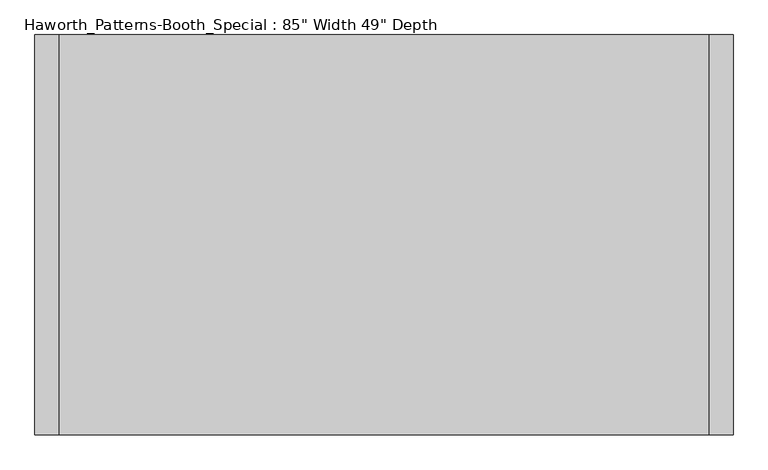
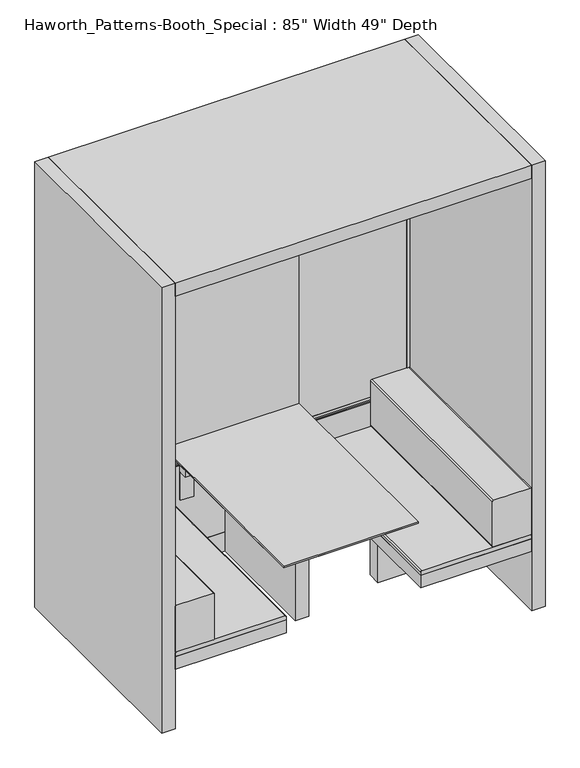
"""IFC4 building model written with IfcOpenShell, lengths in millimetres: furniture geometry."""

from ifc_helpers import new_model, si_unit, point, frame, frame_2d, origin, origin_with_axes, place, context, project, spatial, polyline, circle_curve, trimmed, segment, composite_curve, outline, extrude, faceted_brep, source, transform, mapped, element, save


def furniture_57767e72(model_context):
    return source(origin(), model_context, "Body", "SolidModel", [
        extrude(outline(polyline([(-141.6049558, 704.5452221), (-141.6049558, 706.6280165), (-49.5299513, 706.6280165), (-49.5299513, 396.8847862), (-57.6579518, 396.8847862), (-57.6579518, 564.8452221), (-105.409988, 564.8452221), (-105.409988, 704.5452221), (-141.6049558, 704.5452221)])), frame((219.075, 0.0, 0.0), z_axis=(1.0, 0.0, 0.0), x_axis=(0.0, 1.0, 0.0)), (0.0, 0.0, 1.0), 76.2),
        extrude(outline(polyline([(-141.6049558, 704.5452221), (-141.6049558, 706.6280165), (-49.5299513, 706.6280165), (-49.5299513, 396.8847862), (-57.6579518, 396.8847862), (-57.6579518, 564.8452221), (-105.409988, 564.8452221), (-105.409988, 704.5452221), (-141.6049558, 704.5452221)])), frame((-295.275, 0.0, 0.0), z_axis=(1.0, 0.0, 0.0), x_axis=(0.0, 1.0, 0.0)), (0.0, 0.0, 1.0), 76.2),
        extrude(outline(polyline([(-990.6, -20.9549513), (-990.6, -24.1299513), (-1009.65, -24.1299513), (-1009.65, -20.9549513), (-990.6, -20.9549513)])), frame((0.0, 0.0, 114.3046991), z_axis=(0.0, 0.0, 1.0), x_axis=(1.0, 0.0, 0.0)), (0.0, 0.0, 1.0), 485.7703251),
        extrude(outline(polyline([(-990.6, -49.5299513), (-990.6, -52.6872673), (-1009.65, -52.6872673), (-1009.65, -49.5299513), (-990.6, -49.5299513)])), frame((0.0, 0.0, 114.3046991), z_axis=(0.0, 0.0, 1.0), x_axis=(1.0, 0.0, 0.0)), (0.0, 0.0, 1.0), 485.7703251),
        extrude(outline(polyline([(990.6, -20.9549513), (1009.65, -20.9549513), (1009.65, -24.1299513), (990.6, -24.1299513), (990.6, -20.9549513)])), frame((0.0, 0.0, 114.3046991), z_axis=(0.0, 0.0, 1.0), x_axis=(1.0, 0.0, 0.0)), (0.0, 0.0, 1.0), 485.7703251),
        extrude(outline(polyline([(990.6, -49.5299513), (1009.65, -49.5299513), (1009.65, -52.6872673), (990.6, -52.6872673), (990.6, -49.5299513)])), frame((0.0, 0.0, 114.3046991), z_axis=(0.0, 0.0, 1.0), x_axis=(1.0, 0.0, 0.0)), (0.0, 0.0, 1.0), 485.7703251),
        extrude(outline(polyline([(-990.6, -49.5299513), (-990.6, -52.6872673), (-1009.65, -52.6872673), (-1009.65, -49.5299513), (-990.6, -49.5299513)])), frame((0.0, 0.0, 631.8250242), z_axis=(0.0, 0.0, 1.0), x_axis=(1.0, 0.0, 0.0)), (0.0, 0.0, 1.0), 1907.4130068),
        extrude(outline(polyline([(-990.6, -20.9726352), (-990.6, -24.1299513), (-1009.65, -24.1299513), (-1009.65, -20.9726352), (-990.6, -20.9726352)])), frame((0.0, 0.0, 631.8250242), z_axis=(0.0, 0.0, 1.0), x_axis=(1.0, 0.0, 0.0)), (0.0, 0.0, 1.0), 1907.4130068),
        extrude(outline(polyline([(990.6, -49.5299513), (1009.65, -49.5299513), (1009.65, -52.6872673), (990.6, -52.6872673), (990.6, -49.5299513)])), frame((0.0, 0.0, 631.8250242), z_axis=(0.0, 0.0, 1.0), x_axis=(1.0, 0.0, 0.0)), (0.0, 0.0, 1.0), 1907.4130068),
        extrude(outline(polyline([(990.6, -20.9726352), (1009.65, -20.9726352), (1009.65, -24.1299513), (990.6, -24.1299513), (990.6, -20.9726352)])), frame((0.0, 0.0, 631.8250242), z_axis=(0.0, 0.0, 1.0), x_axis=(1.0, 0.0, 0.0)), (0.0, 0.0, 1.0), 1907.4130068),
        extrude(outline(polyline([(-65.9775917, 2590.8), (-20.9726352, 2590.8), (-20.9726352, 2539.238031), (-54.1781535, 2539.238031), (-54.1781535, 2561.1519344), (-65.9775917, 2561.1519344), (-65.9775917, 2590.8)])), frame((-1009.65, 0.0, 0.0), z_axis=(1.0, 0.0, 0.0), x_axis=(0.0, 1.0, 0.0)), (0.0, 0.0, 1.0), 2019.3),
        extrude(outline(polyline([(-49.5299513, 615.170081), (-49.5299513, 631.8250242), (-23.0345427, 631.8250242), (-23.044073, 615.1586148), (-24.1362731, 615.1592394), (-24.1404749, 607.8111794), (-23.0482748, 607.8105549), (-23.0482748, 600.0750242), (-49.5299513, 600.0750242), (-49.5299513, 607.8220199), (-48.4377509, 607.8220199), (-48.4377509, 615.170081), (-49.5299513, 615.170081)])), frame((-1009.65, 0.0, 0.0), z_axis=(1.0, 0.0, 0.0), x_axis=(0.0, 1.0, 0.0)), (0.0, 0.0, 1.0), 2019.3),
        extrude(outline(polyline([(-1009.65, -52.6872673), (-1009.65, -20.9549513), (1009.65, -20.9549513), (1009.65, -52.6872673), (-1009.65, -52.6872673)])), origin_with_axes(), (0.0, 0.0, 1.0), 114.3),
        extrude(outline(polyline([(381.0, -24.1299513), (381.0, -49.5299513), (-381.0, -49.5299513), (-381.0, -24.1299513), (381.0, -24.1299513)])), frame((0.0, 0.0, 631.8250242), z_axis=(0.0, 0.0, 1.0), x_axis=(1.0, 0.0, 0.0)), (0.0, 0.0, 1.0), 1907.4130068),
        extrude(outline(polyline([(-381.0, -24.1299513), (-381.0, -49.5299513), (-1009.65, -49.5299513), (-1009.65, -24.1299513), (-381.0, -24.1299513)])), frame((0.0, 0.0, 631.8250242), z_axis=(0.0, 0.0, 1.0), x_axis=(1.0, 0.0, 0.0)), (0.0, 0.0, 1.0), 1907.4130068),
        extrude(outline(polyline([(381.0, -24.1299513), (1009.65, -24.1299513), (1009.65, -49.5299513), (381.0, -49.5299513), (381.0, -24.1299513)])), frame((0.0, 0.0, 631.8250242), z_axis=(0.0, 0.0, 1.0), x_axis=(1.0, 0.0, 0.0)), (0.0, 0.0, 1.0), 1907.4130068),
        extrude(outline(polyline([(1009.65, -24.1299513), (1009.65, -49.5299513), (-1009.65, -49.5299513), (-1009.65, -24.1299513), (1009.65, -24.1299513)])), frame((0.0, 0.0, 114.3), z_axis=(0.0, 0.0, 1.0), x_axis=(1.0, 0.0, 0.0)), (0.0, 0.0, 1.0), 485.7750242),
        faceted_brep([(381.0, -49.5299513, 727.0831633), (-381.0, -49.5299513, 727.0831633), (-381.0, -1219.2, 727.0831633), (381.0, -1219.2, 727.0831633), (336.55, -49.5299513, 706.6280165), (336.55, -1174.75, 706.6280165), (-336.55, -1174.75, 706.6280165), (-336.55, -49.5299513, 706.6280165)], [[[0, 1, 2, 3]], [[4, 5, 6, 7]], [[4, 7, 1, 0]], [[7, 6, 2, 1]], [[6, 5, 3, 2]], [[5, 4, 0, 3]]]),
        extrude(outline(polyline([(381.0, -49.5299513), (381.0, -1219.2), (-381.0, -1219.2), (-381.0, -49.5299513), (381.0, -49.5299513)])), frame((0.0, 0.0, 727.0831633), z_axis=(0.0, 0.0, 1.0), x_axis=(1.0, 0.0, 0.0)), (0.0, 0.0, 1.0), 9.516861),
        extrude(outline(polyline([(-38.1, -49.5299513), (38.1, -49.5299513), (38.1, -739.0129583), (-38.1, -739.0129583), (-38.1, -49.5299513)])), origin_with_axes(), (0.0, 0.0, 1.0), 706.6280165),
        extrude(outline(composite_curve([segment(polyline([(736.6000242, -793.7499939), (736.6000242, -1003.3)]), True, "CONTINUOUS"), segment(trimmed(circle_curve(frame_2d((730.2500242, -1003.3)), 6.35), [point((736.6000242, -1003.3))], [point((730.2500242, -1009.65))], False, "CARTESIAN"), True, "CONTINUOUS"), segment(polyline([(730.2500242, -1009.65), (463.5500008, -1009.65)]), True, "CONTINUOUS"), segment(trimmed(circle_curve(frame_2d((463.5500008, -1003.3)), 6.35), [point((463.5500008, -1009.65))], [point((457.2000008, -1003.3))], False, "CARTESIAN"), True, "CONTINUOUS"), segment(polyline([(457.2000008, -1003.3), (457.2000008, -793.7499939)]), True, "CONTINUOUS"), segment(trimmed(circle_curve(frame_2d((463.5500008, -793.7499939)), 6.35), [point((457.2000008, -793.7499939))], [point((463.5500008, -787.3999939))], False, "CARTESIAN"), True, "CONTINUOUS"), segment(polyline([(463.5500008, -787.3999939), (730.2500242, -787.3999939)]), True, "CONTINUOUS"), segment(trimmed(circle_curve(frame_2d((730.2500242, -793.7499939)), 6.35), [point((730.2500242, -787.3999939))], [point((736.6000242, -793.7499939))], False, "CARTESIAN"), True, "CONTINUOUS")], self_intersect=False)), frame((0.0, -1244.6, 0.0), z_axis=(0.0, 1.0, 0.0), x_axis=(0.0, 0.0, 1.0)), (0.0, 0.0, 1.0), 1195.0700487),
        extrude(outline(composite_curve([segment(trimmed(circle_curve(frame_2d((730.2500242, 793.7499939)), 6.35), [point((736.6000242, 793.7499939))], [point((730.2500242, 787.3999939))], False, "CARTESIAN"), True, "CONTINUOUS"), segment(polyline([(730.2500242, 787.3999939), (463.5500008, 787.3999939)]), True, "CONTINUOUS"), segment(trimmed(circle_curve(frame_2d((463.5500008, 793.7499939)), 6.35), [point((463.5500008, 787.3999939))], [point((457.2000008, 793.7499939))], False, "CARTESIAN"), True, "CONTINUOUS"), segment(polyline([(457.2000008, 793.7499939), (457.2000008, 1003.3)]), True, "CONTINUOUS"), segment(trimmed(circle_curve(frame_2d((463.5500008, 1003.3)), 6.35), [point((457.2000008, 1003.3))], [point((463.5500008, 1009.65))], False, "CARTESIAN"), True, "CONTINUOUS"), segment(polyline([(463.5500008, 1009.65), (730.2500242, 1009.65)]), True, "CONTINUOUS"), segment(trimmed(circle_curve(frame_2d((730.2500242, 1003.3)), 6.35), [point((730.2500242, 1009.65))], [point((736.6000242, 1003.3))], False, "CARTESIAN"), True, "CONTINUOUS"), segment(polyline([(736.6000242, 1003.3), (736.6000242, 793.7499939)]), True, "CONTINUOUS")], self_intersect=False)), frame((0.0, -1244.6, 0.0), z_axis=(0.0, 1.0, 0.0), x_axis=(0.0, 0.0, 1.0)), (0.0, 0.0, 1.0), 1195.0700487),
        extrude(outline(composite_curve([segment(polyline([(457.2000008, -387.35), (457.2000008, -1003.3)]), True, "CONTINUOUS"), segment(trimmed(circle_curve(frame_2d((450.8500008, -1003.3)), 6.35), [point((457.2000008, -1003.3))], [point((450.8500008, -1009.65))], False, "CARTESIAN"), True, "CONTINUOUS"), segment(polyline([(450.8500008, -1009.65), (431.7999879, -1009.65), (431.7999879, -381.0), (450.8500008, -381.0)]), True, "CONTINUOUS"), segment(trimmed(circle_curve(frame_2d((450.8500008, -387.35)), 6.35), [point((450.8500008, -381.0))], [point((457.2000008, -387.35))], False, "CARTESIAN"), True, "CONTINUOUS")], self_intersect=False)), frame((0.0, -1244.6, 0.0), z_axis=(0.0, 1.0, 0.0), x_axis=(0.0, 0.0, 1.0)), (0.0, 0.0, 1.0), 1195.0700487),
        extrude(outline(composite_curve([segment(trimmed(circle_curve(frame_2d((450.8500008, 387.35)), 6.35), [point((457.2000008, 387.35))], [point((450.8500008, 381.0))], False, "CARTESIAN"), True, "CONTINUOUS"), segment(polyline([(450.8500008, 381.0), (431.7999879, 381.0), (431.7999879, 1009.65), (450.8500008, 1009.65)]), True, "CONTINUOUS"), segment(trimmed(circle_curve(frame_2d((450.8500008, 1003.3)), 6.35), [point((450.8500008, 1009.65))], [point((457.2000008, 1003.3))], False, "CARTESIAN"), True, "CONTINUOUS"), segment(polyline([(457.2000008, 1003.3), (457.2000008, 387.35)]), True, "CONTINUOUS")], self_intersect=False)), frame((0.0, -1244.6, 0.0), z_axis=(0.0, 1.0, 0.0), x_axis=(0.0, 0.0, 1.0)), (0.0, 0.0, 1.0), 1195.0700487),
        extrude(outline(polyline([(-381.0, -1244.6), (-1009.65, -1244.6), (-1009.65, -49.5299513), (-381.0, -49.5299513), (-381.0, -1244.6)])), frame((0.0, 0.0, 355.5999879), z_axis=(0.0, 0.0, 1.0), x_axis=(1.0, 0.0, 0.0)), (0.0, 0.0, 1.0), 76.2),
        extrude(outline(polyline([(1009.65, -1244.6), (381.0, -1244.6), (381.0, -49.5299513), (1009.65, -49.5299513), (1009.65, -1244.6)])), frame((0.0, 0.0, 355.5999879), z_axis=(0.0, 0.0, 1.0), x_axis=(1.0, 0.0, 0.0)), (0.0, 0.0, 1.0), 76.2),
        extrude(outline(polyline([(-1009.65, -584.2), (-476.25, -584.2), (-476.25, -660.4), (-1009.65, -660.4), (-1009.65, -584.2)])), origin_with_axes(), (0.0, 0.0, 1.0), 355.5999879),
        extrude(outline(polyline([(476.25, -584.2), (1009.65, -584.2), (1009.65, -660.4), (476.25, -660.4), (476.25, -584.2)])), origin_with_axes(), (0.0, 0.0, 1.0), 355.5999879),
        extrude(outline(polyline([(1009.65, 0.0), (1009.65, -1244.6), (-1009.65, -1244.6), (-1009.65, 0.0), (1009.65, 0.0)])), frame((0.0, 0.0, 2590.8), z_axis=(0.0, 0.0, 1.0), x_axis=(1.0, 0.0, 0.0)), (0.0, 0.0, 1.0), 76.2),
        extrude(outline(polyline([(1009.65, 0.0), (1085.85, 0.0), (1085.85, -1244.6), (1009.65, -1244.6), (1009.65, 0.0)])), origin_with_axes(), (0.0, 0.0, 1.0), 2667.0),
        extrude(outline(polyline([(-1009.65, 0.0), (-1009.65, -1244.6), (-1085.85, -1244.6), (-1085.85, 0.0), (-1009.65, 0.0)])), origin_with_axes(), (0.0, 0.0, 1.0), 2667.0),
    ])


if __name__ == "__main__":
    model = new_model("IFC4")
    model_context = context("Model", 3, world=origin())
    ifc_project = project(units=[si_unit("LENGTHUNIT", "METRE", prefix="MILLI")], contexts=[model_context])
    site = spatial("IfcSite", under=ifc_project)
    building = spatial("IfcBuilding", under=site)
    placement = place(None, origin())
    furniture_shape = furniture_57767e72(model_context)
    element("IfcFurniture", 1, ObjectType="Haworth_Patterns-Booth_Special : 85\" Width 49\" Depth", at=placement, inside=building, context=model_context, shape_type="MappedRepresentation", body=[
        mapped(furniture_shape, transform((0.0, 0.0, 0.0), x_axis=(1.0, 0.0, 0.0), y_axis=(0.0, 1.0, 0.0), z_axis=(0.0, 0.0, 1.0))),
    ])
    save(model, "model.ifc")
